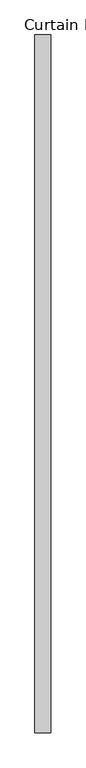
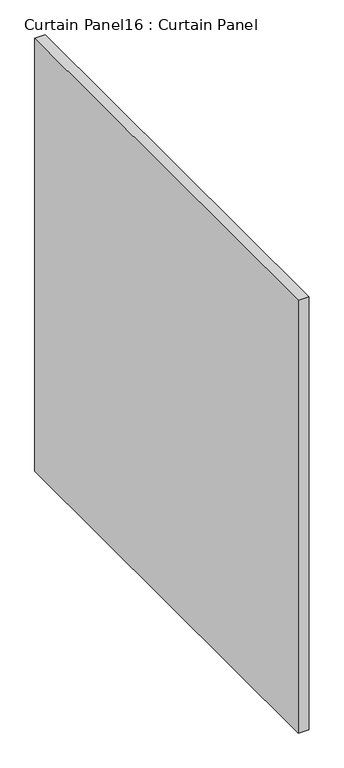
"""IFC4 building model written with IfcOpenShell, lengths in millimetres: plate geometry, Curtain Panel16 : Curtain Panel."""

from ifc_helpers import new_model, si_unit, frame, origin, place, context, project, spatial, polyline, outline, extrude, source, transform, mapped, element, save


def curtain_panel16_curtain_panel_a2365959(model_context):
    return source(origin(), model_context, "Body", "SweptSolid", [
        extrude(outline(polyline([(-290876.6259027, 3102.5191489), (-290876.6259027, 1999.6035239), (-290902.0259027, 1999.6035239), (-290902.0259027, 3102.5191489), (-290876.6259027, 3102.5191489)])), frame((0.0, 0.0, -1198.5624347), z_axis=(0.0, 0.0, 1.0), x_axis=(1.0, 0.0, 0.0)), (0.0, 0.0, 1.0), 1104.899935),
    ])


if __name__ == "__main__":
    model = new_model("IFC4")
    model_context = context("Model", 3, world=origin())
    ifc_project = project(units=[si_unit("LENGTHUNIT", "METRE", prefix="MILLI")], contexts=[model_context])
    site = spatial("IfcSite", under=ifc_project)
    building = spatial("IfcBuilding", under=site)
    placement = place(None, origin())
    curtain_panel16_curtain_panel_shape = curtain_panel16_curtain_panel_a2365959(model_context)
    element("IfcPlate", 1, ObjectType="Curtain Panel16 : Curtain Panel", at=placement, inside=building, context=model_context, shape_type="MappedRepresentation", body=[
        mapped(curtain_panel16_curtain_panel_shape, transform((0.0, 0.0, 0.0), x_axis=(1.0, 0.0, 0.0), y_axis=(0.0, 1.0, 0.0), z_axis=(0.0, 0.0, 1.0))),
    ])
    save(model, "model.ifc")
